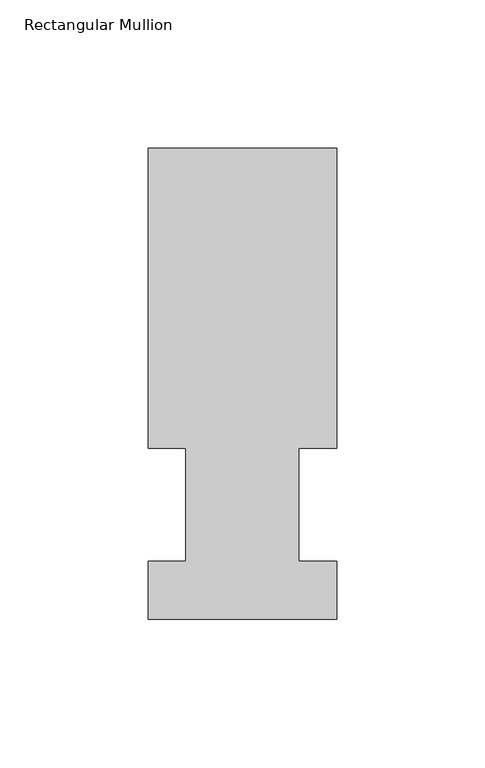
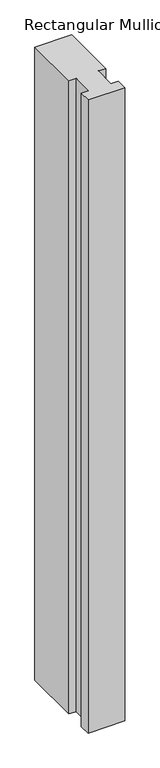
"""IFC4 building model written with IfcOpenShell, lengths in millimetres: member geometry, Rectangular Mullion."""

from ifc_helpers import new_model, si_unit, frame, origin, place, context, project, spatial, polyline, outline, extrude, source, transform, mapped, element, save


def rectangular_mullion_21e95825(model_context):
    return source(origin(), model_context, "Body", "SweptSolid", [
        extrude(outline(polyline([(-31.75, 57.6460938), (-31.75, 158.8396937), (31.75, 158.8396937), (31.75, 57.6460937), (19.05, 57.6460937), (19.05, 19.5460937), (31.75, 19.5460937), (31.75, 0.0134938), (-31.75, 0.0134938), (-31.75, 19.5460937), (-19.05, 19.5460937), (-19.05, 57.6460937), (-31.75, 57.6460938)])), frame((0.0, 0.0, -1155.7), z_axis=(0.0, 0.0, 1.0), x_axis=(1.0, 0.0, 0.0)), (0.0, 0.0, 1.0), 1155.7),
    ])


if __name__ == "__main__":
    model = new_model("IFC4")
    model_context = context("Model", 3, world=origin())
    ifc_project = project(units=[si_unit("LENGTHUNIT", "METRE", prefix="MILLI")], contexts=[model_context])
    site = spatial("IfcSite", under=ifc_project)
    building = spatial("IfcBuilding", under=site)
    placement = place(None, origin())
    rectangular_mullion_shape = rectangular_mullion_21e95825(model_context)
    element("IfcMember", 1, ObjectType="Rectangular Mullion", at=placement, inside=building, context=model_context, shape_type="MappedRepresentation", body=[
        mapped(rectangular_mullion_shape, transform((0.0, 0.0, 0.0), x_axis=(1.0, 0.0, 0.0), y_axis=(0.0, 1.0, 0.0), z_axis=(0.0, 0.0, 1.0))),
    ])
    save(model, "model.ifc")
